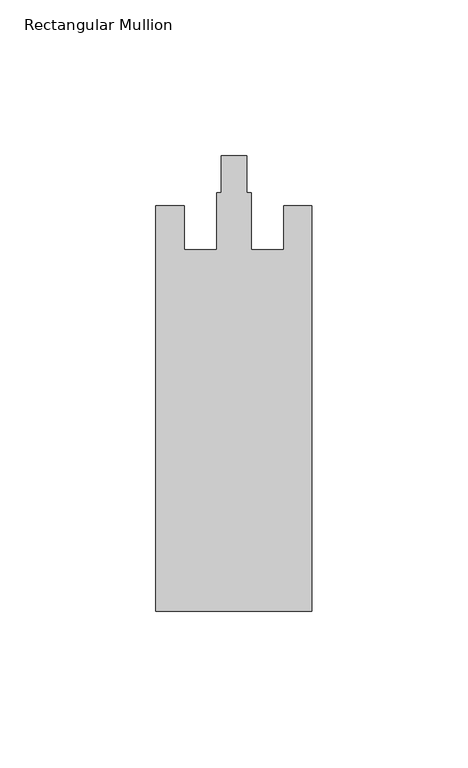
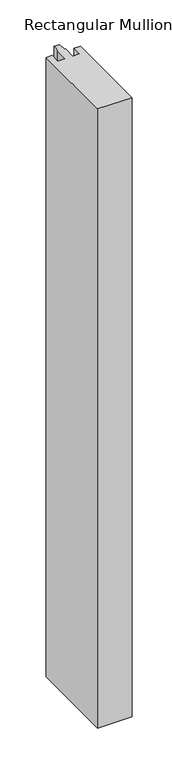
"""IFC4 building model written with IfcOpenShell, lengths in millimetres: member geometry, Rectangular Mullion."""

import ifcopenshell
import ifcopenshell.guid

model = None  # the IFC model being written
_history = None  # IfcOwnerHistory: only IFC2X3 demands one
_inside = {}  # id of a spatial element -> (the spatial element, [elements in it])
_under = {}  # id of a project, library or spatial element -> (it, [spatial elements below it])
_declared = {}  # id of a project -> (the project, [libraries it declares])
_typed = {}  # id of a type object -> (the type object, [elements of that type])
_made_of = {}  # id of a material, layer set ... -> (it, [elements and type objects made of it])


def new_model(schema):
    """Start an empty IFC model of exactly this schema.

    Asked for "IFC4X3", IfcOpenShell would pick the latest addendum, in which some entities
    have other attributes; the version numbers below select the first issue.
    IFC2X3 requires an IfcOwnerHistory on every rooted entity: one is made here for all.
    """
    global model, _history
    if schema == "IFC4X3":
        model = ifcopenshell.file(schema_version=(4, 3, 0, 0))
    else:
        model = ifcopenshell.file(schema=schema)
    _inside.clear()
    _under.clear()
    _declared.clear()
    _typed.clear()
    _made_of.clear()
    _history = None
    if model.schema == "IFC2X3":
        org = make("IfcOrganization", Name="unknown")
        user = make(
            "IfcPersonAndOrganization",
            ThePerson=make("IfcPerson", FamilyName="unknown"),
            TheOrganization=org,
        )
        app = make(
            "IfcApplication",
            ApplicationDeveloper=org,
            Version="unknown",
            ApplicationFullName="unknown",
            ApplicationIdentifier="unknown",
        )
        _history = make(
            "IfcOwnerHistory",
            OwningUser=user,
            OwningApplication=app,
            ChangeAction="ADDED",
            CreationDate=0,
        )
    return model


def make(cls, **values):
    """One entity of the class cls with the attributes given. An attribute that is None is left unset."""
    return model.create_entity(
        cls, **{name: value for name, value in values.items() if value is not None}
    )


def rooted(cls, **values):
    """An entity with a GlobalId (a new one), such as an element, a storey or a relation."""
    return make(cls, GlobalId=ifcopenshell.guid.new(), OwnerHistory=_history, **values)


def si_unit(unit_type, name, prefix=None):
    """IfcSIUnit, for example si_unit("LENGTHUNIT", "METRE", prefix="MILLI")."""
    return make("IfcSIUnit", UnitType=unit_type, Prefix=prefix, Name=name)


def assignment(units):
    """IfcUnitAssignment: the units of a project."""
    return None if units is None else make("IfcUnitAssignment", Units=units)


def point(xyz):
    """IfcCartesianPoint."""
    return None if xyz is None else make("IfcCartesianPoint", Coordinates=xyz)


def direction(xyz):
    """IfcDirection."""
    return None if xyz is None else make("IfcDirection", DirectionRatios=xyz)


def frame(location, z_axis=None, x_axis=None):
    """IfcAxis2Placement3D, a coordinate frame: its origin and axes. An axis left out is left unset."""
    return make(
        "IfcAxis2Placement3D",
        Location=point(location),
        Axis=direction(z_axis),
        RefDirection=direction(x_axis),
    )


def origin():
    """The frame at (0, 0, 0) with its axes left unset."""
    return frame((0.0, 0.0, 0.0))


def place(relative_to, where):
    """IfcLocalPlacement: puts the frame where relative to a parent placement (None: the world)."""
    return make(
        "IfcLocalPlacement", PlacementRelTo=relative_to, RelativePlacement=where
    )


def context(
    kind, dimensions, precision=None, world=None, true_north=None, identifier=None
):
    """IfcGeometricRepresentationContext, for example the 3D "Model" context."""
    return make(
        "IfcGeometricRepresentationContext",
        ContextIdentifier=identifier,
        ContextType=kind,
        CoordinateSpaceDimension=dimensions,
        Precision=precision,
        WorldCoordinateSystem=world,
        TrueNorth=true_north,
    )


def project(units=None, contexts=None):
    """IfcProject with its units and contexts."""
    return rooted(
        "IfcProject",
        Name="project",
        RepresentationContexts=contexts,
        UnitsInContext=assignment(units),
    )


def spatial(cls, under=None, at=None, **own):
    """A site, building, storey or space (cls), placed at a placement, below another one or the project."""
    s = rooted(cls, ObjectPlacement=at, **own)
    if under is not None:
        _under.setdefault(under.id(), (under, []))[1].append(s)
    return s


def polyline(points):
    """IfcPolyline through the points."""
    return make("IfcPolyline", Points=[point(p) for p in points])


def outline(outer, holes=None, kind="AREA"):
    """IfcArbitraryClosedProfileDef: a profile drawn as a closed curve; with holes, ...WithVoids."""
    if holes is None:
        return make("IfcArbitraryClosedProfileDef", ProfileType=kind, OuterCurve=outer)
    return make(
        "IfcArbitraryProfileDefWithVoids",
        ProfileType=kind,
        OuterCurve=outer,
        InnerCurves=holes,
    )


def extrude(swept, where, along, depth):
    """IfcExtrudedAreaSolid: the profile swept, set in the frame where, extruded along a direction by depth."""
    return make(
        "IfcExtrudedAreaSolid",
        SweptArea=swept,
        Position=where,
        ExtrudedDirection=direction(along),
        Depth=depth,
    )


def shape(context_of_items, identifier, shape_type, items):
    """IfcShapeRepresentation: the items that make up one representation, for example the "Body"."""
    return make(
        "IfcShapeRepresentation",
        ContextOfItems=context_of_items,
        RepresentationIdentifier=identifier,
        RepresentationType=shape_type,
        Items=items,
    )


def source(mapping_origin, context_of_items, identifier, shape_type, items):
    """IfcRepresentationMap: a shape defined once, which mapped items show again and again."""
    return make(
        "IfcRepresentationMap",
        MappingOrigin=mapping_origin,
        MappedRepresentation=shape(context_of_items, identifier, shape_type, items),
    )


def transform(
    local_origin,
    x_axis=None,
    y_axis=None,
    z_axis=None,
    scale=None,
    scale2=None,
    scale3=None,
    uniform=True,
):
    """IfcCartesianTransformationOperator3D, or its non-uniform kind. x_axis, y_axis, z_axis: its Axis1, 2, 3."""
    if uniform:
        return make(
            "IfcCartesianTransformationOperator3D",
            Axis1=direction(x_axis),
            Axis2=direction(y_axis),
            LocalOrigin=point(local_origin),
            Scale=scale,
            Axis3=direction(z_axis),
        )
    return make(
        "IfcCartesianTransformationOperator3DnonUniform",
        Axis1=direction(x_axis),
        Axis2=direction(y_axis),
        LocalOrigin=point(local_origin),
        Scale=scale,
        Axis3=direction(z_axis),
        Scale2=scale2,
        Scale3=scale3,
    )


def mapped(mapping_source, mapping_target):
    """IfcMappedItem: shows the shape of a source again, moved by a transform."""
    return make(
        "IfcMappedItem", MappingSource=mapping_source, MappingTarget=mapping_target
    )


def made_of(thing, what):
    """Note that an element or type object is made of a material, layer set ...; save() writes the relation."""
    if what is not None:
        _made_of.setdefault(what.id(), (what, []))[1].append(thing)
    return thing


def element(
    cls,
    number,
    at=None,
    inside=None,
    cuts=None,
    type_object=None,
    material=None,
    context=None,
    identifier="Body",
    shape_type=None,
    held_by="IfcProductDefinitionShape",
    body=None,
    shapes=None,
    **own,
):
    """One element of the class cls, such as IfcWall. Its Tag is "e" and its number.

    at: its placement. inside: the storey or other place that contains it. cuts: it is an
    opening in that element (IfcRelVoidsElement). A single representation is given by context,
    identifier, shape_type and body (its items); several are given by shapes. held_by: the class
    of the entity that holds the representations. save() writes the other relations.
    """
    e = rooted(cls, Tag="e%d" % number, ObjectPlacement=at, **own)
    if body is not None:
        shapes = [shape(context, identifier, shape_type, body)]
    if shapes is not None:
        e.Representation = make(held_by, Representations=shapes)
    if inside is not None:
        _inside.setdefault(inside.id(), (inside, []))[1].append(e)
    if cuts is not None:
        rooted(
            "IfcRelVoidsElement", RelatingBuildingElement=cuts, RelatedOpeningElement=e
        )
    if type_object is not None:
        _typed.setdefault(type_object.id(), (type_object, []))[1].append(e)
    return made_of(e, material)


def aggregate(whole, parts):
    """IfcRelAggregates: a whole, such as a stair, and the parts it consists of."""
    return rooted("IfcRelAggregates", RelatingObject=whole, RelatedObjects=parts)


def save(model, path):
    """Write the relations noted so far, then the file.

    IfcRelAggregates (storeys below a building ...), IfcRelContainedInSpatialStructure (elements
    in a storey), IfcRelDefinesByType, IfcRelAssociatesMaterial and IfcRelDeclares: one each for
    every whole, place, type object, material and project.
    """
    for whole, parts in _under.values():
        aggregate(whole, parts)
    for where, things in _inside.values():
        rooted(
            "IfcRelContainedInSpatialStructure",
            RelatedElements=things,
            RelatingStructure=where,
        )
    for kind, things in _typed.values():
        rooted("IfcRelDefinesByType", RelatedObjects=things, RelatingType=kind)
    for what, things in _made_of.values():
        rooted("IfcRelAssociatesMaterial", RelatedObjects=things, RelatingMaterial=what)
    for by, libraries in _declared.values():
        rooted("IfcRelDeclares", RelatingContext=by, RelatedDefinitions=libraries)
    model.write(path)


def rectangular_mullion_be3ded73(model_context):
    return source(origin(), model_context, "Body", "SweptSolid", [
        extrude(outline(polyline([(25.0, -153.0), (-25.0, -153.0), (-25.0, -23.0), (-16.0, -23.0), (-16.0, -37.0), (-5.5, -37.0), (-5.5, -18.8), (-4.1, -18.8), (-4.1, -7.0), (4.1, -7.0), (4.1, -18.8), (5.5, -18.8), (5.5, -37.0), (16.0, -37.0), (16.0, -23.0), (25.0, -23.0), (25.0, -153.0)])), frame((0.0, 0.0, -950.0), z_axis=(0.0, 0.0, 1.0), x_axis=(1.0, 0.0, 0.0)), (0.0, 0.0, 1.0), 950.0),
    ])


if __name__ == "__main__":
    model = new_model("IFC4")
    model_context = context("Model", 3, world=origin())
    ifc_project = project(units=[si_unit("LENGTHUNIT", "METRE", prefix="MILLI")], contexts=[model_context])
    site = spatial("IfcSite", under=ifc_project)
    building = spatial("IfcBuilding", under=site)
    placement = place(None, origin())
    rectangular_mullion_shape = rectangular_mullion_be3ded73(model_context)
    element("IfcMember", 1, ObjectType="Rectangular Mullion", at=placement, inside=building, context=model_context, shape_type="MappedRepresentation", body=[
        mapped(rectangular_mullion_shape, transform((0.0, 0.0, 0.0), x_axis=(1.0, 0.0, 0.0), y_axis=(0.0, 1.0, 0.0), z_axis=(0.0, 0.0, 1.0))),
    ])
    save(model, "model.ifc")
